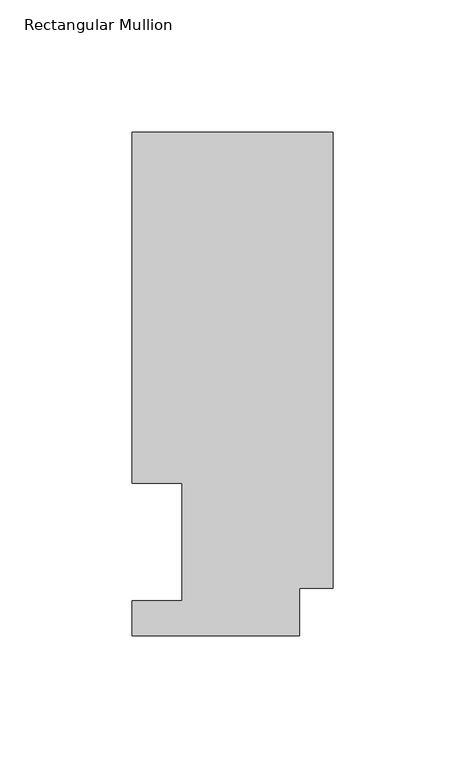
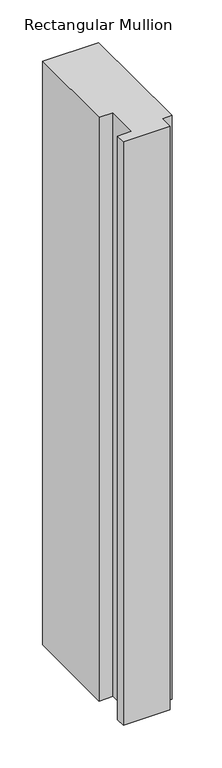
"""IFC4 building model written with IfcOpenShell, lengths in millimetres: member geometry, Rectangular Mullion."""

from ifc_helpers import new_model, si_unit, frame, origin, place, context, project, spatial, polyline, outline, extrude, source, transform, mapped, element, save


def rectangular_mullion_9755230f(model_context):
    return source(origin(), model_context, "Body", "SweptSolid", [
        extrude(outline(polyline([(0.0, 190.5896938), (0.0, 17.9712937), (-12.7, 17.9712937), (-12.7, 0.0134938), (-76.2, 0.0134938), (-76.2, 13.1960938), (-57.15, 13.1960938), (-57.15, 57.6460937), (-76.2, 57.6460937), (-76.2, 190.5896938), (0.0, 190.5896938)])), frame((0.0, 0.0, -838.2), z_axis=(0.0, 0.0, 1.0), x_axis=(1.0, 0.0, 0.0)), (0.0, 0.0, 1.0), 838.2),
    ])


if __name__ == "__main__":
    model = new_model("IFC4")
    model_context = context("Model", 3, world=origin())
    ifc_project = project(units=[si_unit("LENGTHUNIT", "METRE", prefix="MILLI")], contexts=[model_context])
    site = spatial("IfcSite", under=ifc_project)
    building = spatial("IfcBuilding", under=site)
    placement = place(None, origin())
    rectangular_mullion_shape = rectangular_mullion_9755230f(model_context)
    element("IfcMember", 1, ObjectType="Rectangular Mullion", at=placement, inside=building, context=model_context, shape_type="MappedRepresentation", body=[
        mapped(rectangular_mullion_shape, transform((0.0, 0.0, 0.0), x_axis=(1.0, 0.0, 0.0), y_axis=(0.0, 1.0, 0.0), z_axis=(0.0, 0.0, 1.0))),
    ])
    save(model, "model.ifc")
